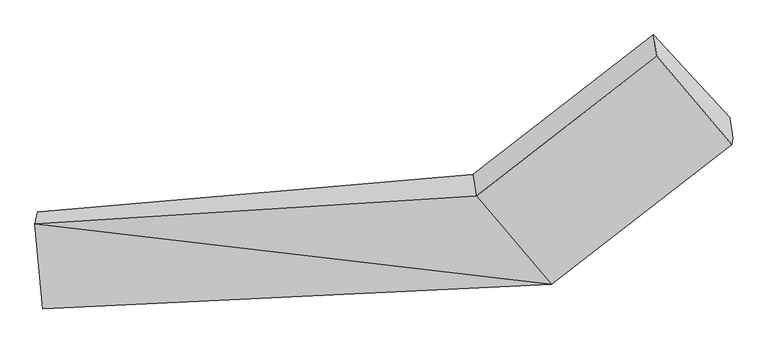
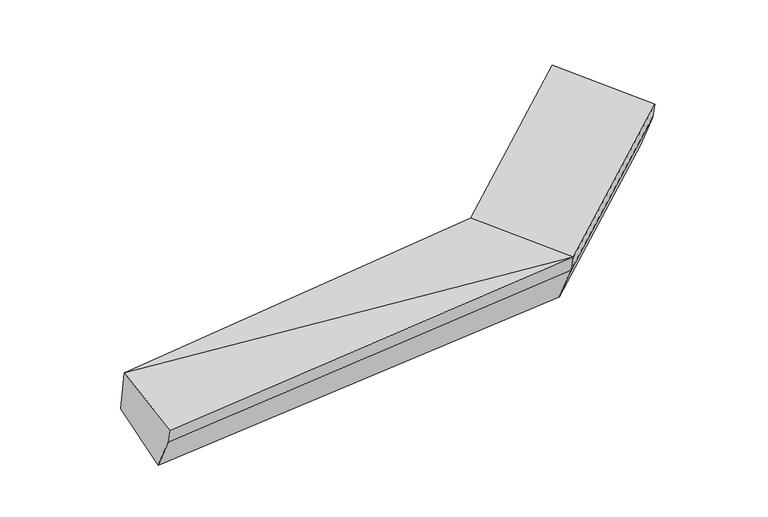
"""IFC4 building model written with IfcOpenShell, lengths in millimetres: proxy geometry."""

from ifc_helpers import new_model, si_unit, frame, origin, place, context, project, spatial, source, transform, mapped, element, save
from ifc_brep_helpers import plane_surface, spline_surface, advanced_brep


def generic_models_e0c9282f(model_context):
    return source(origin(), model_context, "Body", "AdvancedBrep", [
        advanced_brep(
        [(-2889.7755272, -1791.6740478, 1536.71738), (-2910.7494301, -1883.3268791, 1953.4543199), (457.7127601, -1669.2047161, 2177.8905618), (432.0797145, -1505.1168989, 1813.4334945), (-2851.1494093, -2532.5187593, 1760.0693664), (1028.1022597, -2342.2617388, 1999.985916), (-2844.3525441, -2486.3090437, 1607.0384388), (1035.1527159, -2294.3279397, 1841.2454078), (-2835.1729298, -2303.2606356, 1268.9530815), (1013.3192174, -2138.0574435, 1484.880748), (2412.079258, -1228.6589051, 2224.1944503), (2390.2457596, -1072.3884089, 1867.8297905), (1809.0062567, -439.4478643, 2196.382537), (1834.6393023, -603.5356815, 2560.8396043), (2405.0288018, -1276.5927042, 2382.9349585)],
        [
            (0, 1),
            (1, 2),
            (2, 3),
            (3, 0),
            (1, 4),
            (4, 5),
            (5, 1),
            (4, 6),
            (6, 7),
            (7, 5),
            (6, 8),
            (8, 9),
            (9, 7),
            (8, 0),
            (3, 9),
            (10, 11),
            (11, 12),
            (12, 13),
            (13, 14),
            (14, 10),
            (5, 2),
            (9, 11),
            (10, 7),
            (3, 12),
            (2, 13),
            (5, 14),
        ],
        [
            spline_surface(1, 1, [[(-2889.7755272, -1791.6740478, 1536.71738), (432.0797145, -1505.1168989, 1813.4334945)], [(-2910.7494301, -1883.3268791, 1953.4543199), (457.7127601, -1669.2047161, 2177.8905618)]], [2, 2], [2, 2], [0.0, 1.0], [0.0, 1.0]),
            plane_surface(frame((-2880.9494197, -2207.9228192, 1856.7618431), z_axis=(-0.04496849910678102, -0.2889891988518542, 0.9562756281716308), x_axis=(0.08764708932398801, -0.9546939414420711, -0.2843896374814599))),
            plane_surface(frame((-2847.7509767, -2509.4139015, 1683.5539026), z_axis=(0.0645697285451734, -0.9560997573939186, -0.2858391227017265), x_axis=(0.04248040808788922, 0.28881072230786786, -0.9564432976442954))),
            spline_surface(1, 1, [[(-2844.3525441, -2486.3090437, 1607.0384388), (1035.1527159, -2294.3279397, 1841.2454078)], [(-2835.1729298, -2303.2606356, 1268.9530815), (1013.3192174, -2138.0574435, 1484.880748)]], [2, 2], [2, 2], [0.0, 1.0], [0.0, 1.0]),
            spline_surface(1, 1, [[(-2835.1729298, -2303.2606356, 1268.9530815), (1013.3192174, -2138.0574435, 1484.880748)], [(-2889.7755272, -1791.6740478, 1536.71738), (432.0797145, -1505.1168989, 1813.4334945)]], [2, 2], [2, 2], [0.0, 1.0], [0.0, 1.0]),
            plane_surface(frame((2170.1998757, -924.1247128, 2246.4362681), z_axis=(0.7723573861359097, 0.5977641688542557, 0.21480704484556945), x_axis=(-0.05602147449878785, 0.4009665985784862, -0.9143781390756128))),
            plane_surface(frame((-2866.2399681, -2199.4178731, 1625.2465173), z_axis=(-0.9952453982117777, -0.07174848328575203, -0.06586920740736359), x_axis=(0.09414240942091502, -0.8820458410147961, -0.46166258360075696))),
            plane_surface(frame((-2910.7494301, -1883.3268791, 1953.4543199), z_axis=(-0.0451843824814224, -0.2909018881460541, 0.9556853368409675), x_axis=(0.6337661106512297, -0.7478411362809547, -0.1976718287364787))),
            plane_surface(frame((1024.2359667, -2216.1926916, 1663.0630779), z_axis=(0.632712938445457, -0.694192902051283, -0.3431771441476445), x_axis=(-0.05602147449878785, 0.4009665985784862, -0.9143781390756128))),
            plane_surface(frame((722.699466, -1821.5871712, 1649.1571213), z_axis=(-0.0656923603160045, 0.41153747877167984, -0.9090222315006173), x_axis=(-0.6317820683411479, 0.6879788528728371, 0.3571225505654277))),
            plane_surface(frame((444.8962373, -1587.1608075, 1995.6620282), z_axis=(-0.6319556976547679, 0.6890782953547236, 0.3546873257852665), x_axis=(0.06400050220880912, -0.4096939117255763, 0.9099751834044794))),
            plane_surface(frame((742.9075099, -2005.7332274, 2088.9382389), z_axis=(-0.0424804080878938, -0.28881072230786586, 0.9564432976442958), x_axis=(0.6337661106512298, -0.7478411362809547, -0.1976718287364787))),
            plane_surface(frame((1031.6274878, -2318.2948392, 1920.6156619), z_axis=(0.6337661106512325, -0.7478411362809516, -0.19767182873648237), x_axis=(0.04248040808788922, 0.28881072230786786, -0.9564432976442954))),
        ],
        [
            (0, [[1, 2, 3, 4]]),
            (1, [[5, 6, 7]]),
            (2, [[8, 9, 10, -6]]),
            (3, [[11, 12, 13, -9]]),
            (4, [[14, -4, 15, -12]]),
            (5, [[16, 17, 18, 19, 20]]),
            (6, [[-14, -11, -8, -5, -1]]),
            (7, [[21, -2, -7]]),
            (8, [[-13, 22, -16, 23]]),
            (9, [[-15, 24, -17, -22]]),
            (10, [[-3, 25, -18, -24]]),
            (11, [[-21, 26, -19, -25]]),
            (12, [[-10, -23, -20, -26]]),
        ],
    ),
    ])


if __name__ == "__main__":
    model = new_model("IFC4")
    model_context = context("Model", 3, world=origin())
    ifc_project = project(units=[si_unit("LENGTHUNIT", "METRE", prefix="MILLI")], contexts=[model_context])
    site = spatial("IfcSite", under=ifc_project)
    building = spatial("IfcBuilding", under=site)
    placement = place(None, origin())
    generic_models_shape = generic_models_e0c9282f(model_context)
    element("IfcBuildingElementProxy", 1, Name="Generic Models", at=placement, inside=building, context=model_context, shape_type="MappedRepresentation", body=[
        mapped(generic_models_shape, transform((0.0, 0.0, 0.0), x_axis=(1.0, 0.0, 0.0), y_axis=(0.0, 1.0, 0.0), z_axis=(0.0, 0.0, 1.0))),
    ])
    save(model, "model.ifc")
